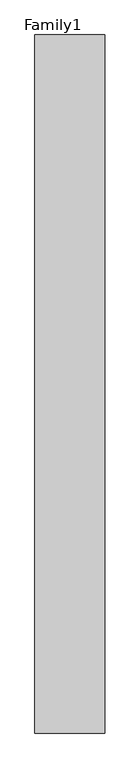
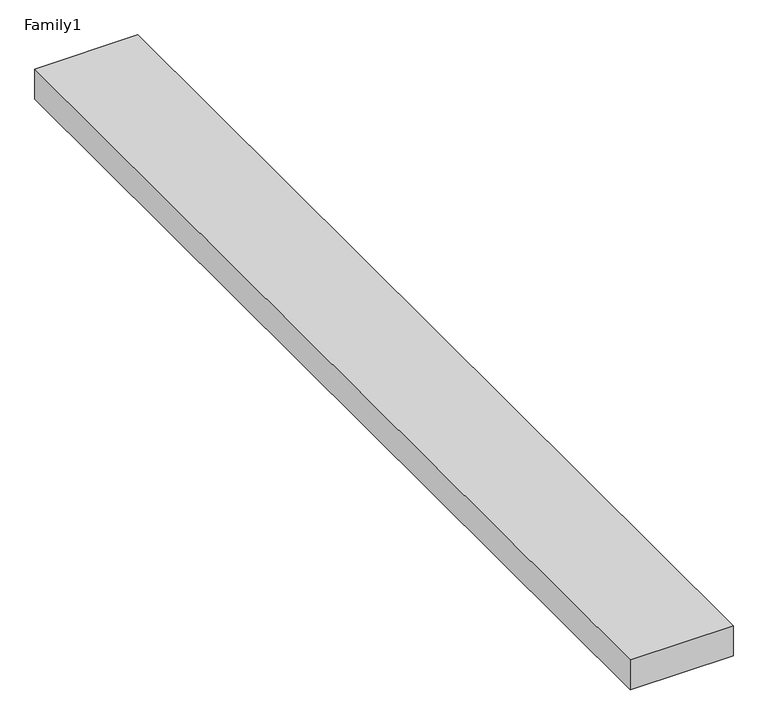
"""IFC4 building model written with IfcOpenShell, lengths in millimetres: proxy geometry, Family1."""

from ifc_helpers import new_model, si_unit, origin, origin_with_axes, place, context, project, spatial, polyline, outline, extrude, source, transform, mapped, element, save


def family1_d2ef69a4(model_context):
    return source(origin(), model_context, "Body", "SweptSolid", [
        extrude(outline(polyline([(5000.0, 0.0), (0.0, 0.0), (0.0, 50000.0), (5000.0, 50000.0), (5000.0, 0.0)])), origin_with_axes(), (0.0, 0.0, 1.0), 1546.0),
    ])


if __name__ == "__main__":
    model = new_model("IFC4")
    model_context = context("Model", 3, world=origin())
    ifc_project = project(units=[si_unit("LENGTHUNIT", "METRE", prefix="MILLI")], contexts=[model_context])
    site = spatial("IfcSite", under=ifc_project)
    building = spatial("IfcBuilding", under=site)
    placement = place(None, origin())
    family1_shape = family1_d2ef69a4(model_context)
    element("IfcBuildingElementProxy", 1, Name="Family1", ObjectType="Family1", at=placement, inside=building, context=model_context, shape_type="MappedRepresentation", body=[
        mapped(family1_shape, transform((0.0, 0.0, 0.0), x_axis=(1.0, 0.0, 0.0), y_axis=(0.0, 1.0, 0.0), z_axis=(0.0, 0.0, 1.0))),
    ])
    save(model, "model.ifc")
